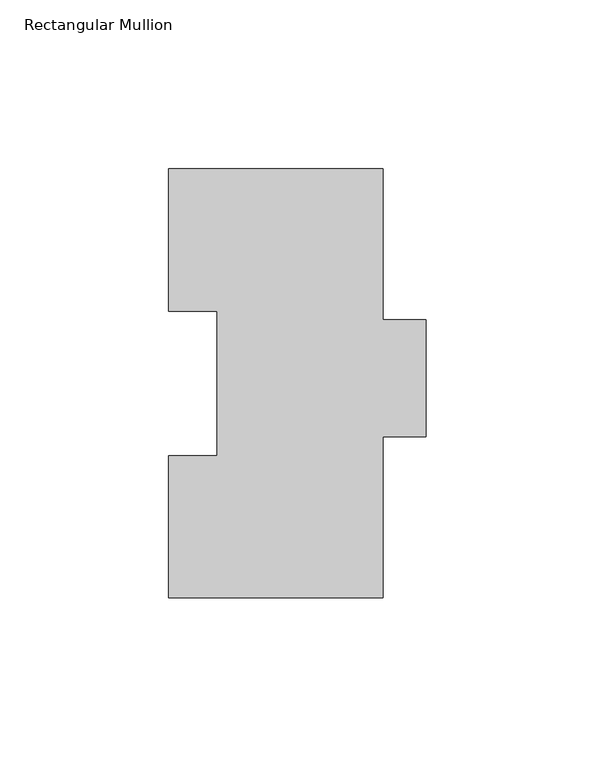
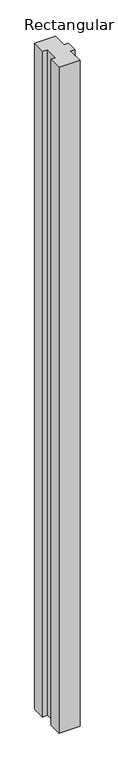
"""IFC4 building model written with IfcOpenShell, lengths in millimetres: member geometry, Rectangular Mullion."""

from ifc_helpers import new_model, si_unit, frame, origin, place, context, project, spatial, polyline, outline, extrude, source, transform, mapped, element, save


def rectangular_mullion_29236e3c(model_context):
    return source(origin(), model_context, "Body", "SweptSolid", [
        extrude(outline(polyline([(31.75, 126.7086938), (31.75, 82.0046938), (44.4497287, 82.0046938), (44.4497287, 47.3336938), (31.75, 47.3336938), (31.75, -0.2913062), (-31.7497287, -0.2913062), (-31.7497287, 41.7837938), (-17.4622287, 41.7837938), (-17.4622287, 84.6335937), (-31.7502713, 84.6335937), (-31.7502713, 126.7086938), (31.75, 126.7086938)])), frame((0.0, 0.0, -2133.6), z_axis=(0.0, 0.0, 1.0), x_axis=(1.0, 0.0, 0.0)), (0.0, 0.0, 1.0), 2133.6),
    ])


if __name__ == "__main__":
    model = new_model("IFC4")
    model_context = context("Model", 3, world=origin())
    ifc_project = project(units=[si_unit("LENGTHUNIT", "METRE", prefix="MILLI")], contexts=[model_context])
    site = spatial("IfcSite", under=ifc_project)
    building = spatial("IfcBuilding", under=site)
    placement = place(None, origin())
    rectangular_mullion_shape = rectangular_mullion_29236e3c(model_context)
    element("IfcMember", 1, ObjectType="Rectangular Mullion", at=placement, inside=building, context=model_context, shape_type="MappedRepresentation", body=[
        mapped(rectangular_mullion_shape, transform((0.0, 0.0, 0.0), x_axis=(1.0, 0.0, 0.0), y_axis=(0.0, 1.0, 0.0), z_axis=(0.0, 0.0, 1.0))),
    ])
    save(model, "model.ifc")
